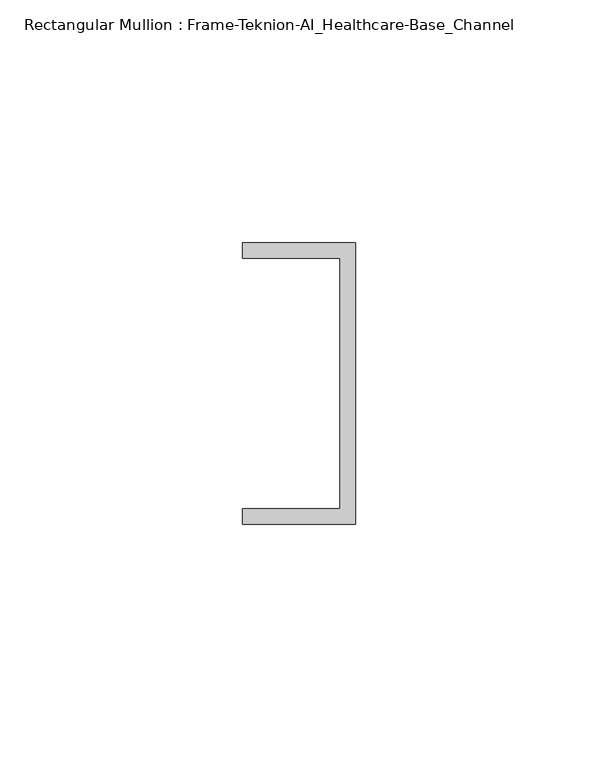
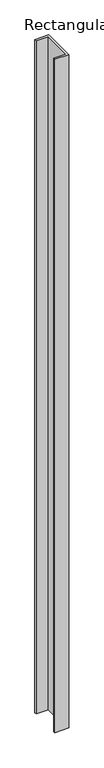
"""IFC4 building model written with IfcOpenShell, lengths in millimetres: member geometry, Rectangular Mullion : Frame-Teknion-AI_Healthcare-Base_Channel."""

from ifc_helpers import new_model, si_unit, frame, origin, place, context, project, spatial, polyline, outline, extrude, source, transform, mapped, element, save


def rectangular_mullion_frame_teknion_ai_healthcare_base_channel_2c2d90fc(model_context):
    return source(origin(), model_context, "Body", "SweptSolid", [
        extrude(outline(polyline([(0.0, -29.0214844), (-23.3164063, -29.0214844), (-23.3164063, -25.8464844), (-3.175, -25.8464844), (-3.175, 25.8464844), (-23.3164063, 25.8464844), (-23.3164063, 29.0214844), (0.0, 29.0214844), (0.0, -29.0214844)])), frame((0.0, 0.0, -1193.8), z_axis=(0.0, 0.0, 1.0), x_axis=(1.0, 0.0, 0.0)), (0.0, 0.0, 1.0), 1193.8),
    ])


if __name__ == "__main__":
    model = new_model("IFC4")
    model_context = context("Model", 3, world=origin())
    ifc_project = project(units=[si_unit("LENGTHUNIT", "METRE", prefix="MILLI")], contexts=[model_context])
    site = spatial("IfcSite", under=ifc_project)
    building = spatial("IfcBuilding", under=site)
    placement = place(None, origin())
    rectangular_mullion_frame_teknion_ai_healthcare_base_channel_shape = rectangular_mullion_frame_teknion_ai_healthcare_base_channel_2c2d90fc(model_context)
    element("IfcMember", 1, ObjectType="Rectangular Mullion : Frame-Teknion-AI_Healthcare-Base_Channel", at=placement, inside=building, context=model_context, shape_type="MappedRepresentation", body=[
        mapped(rectangular_mullion_frame_teknion_ai_healthcare_base_channel_shape, transform((0.0, 0.0, 0.0), x_axis=(1.0, 0.0, 0.0), y_axis=(0.0, 1.0, 0.0), z_axis=(0.0, 0.0, 1.0))),
    ])
    save(model, "model.ifc")
